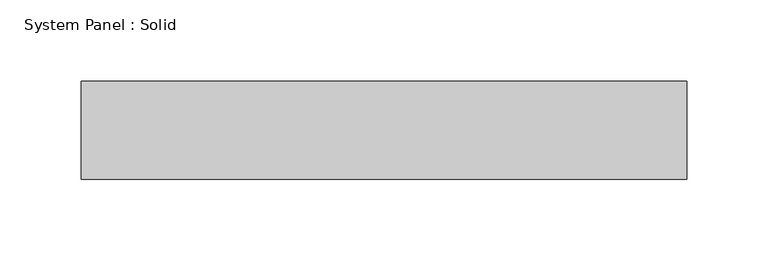
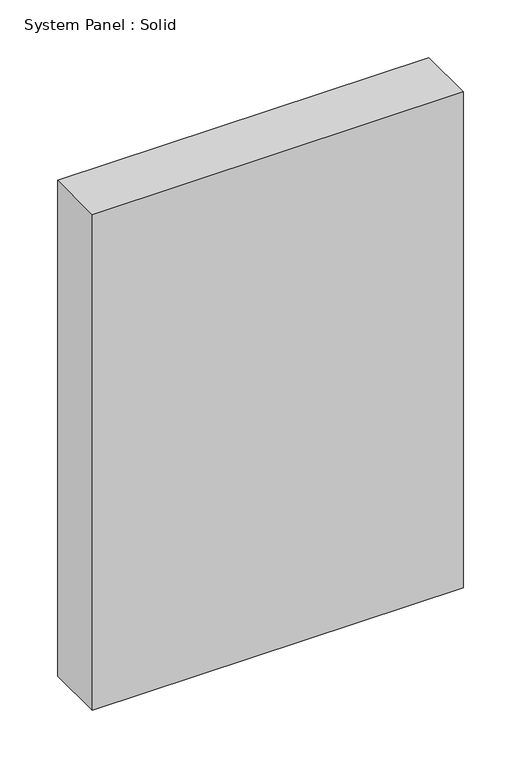
"""IFC4 building model written with IfcOpenShell, lengths in millimetres: plate geometry, System Panel : Solid."""

from ifc_helpers import new_model, si_unit, origin, origin_with_axes, place, context, project, spatial, polyline, outline, extrude, source, transform, mapped, element, save


def system_panel_solid_b38a65f1(model_context):
    return source(origin(), model_context, "Body", "SweptSolid", [
        extrude(outline(polyline([(185.9054087, -49.5), (-185.9054087, -49.5), (-185.9054087, 10.5), (185.9054087, 10.5), (185.9054087, -49.5)])), origin_with_axes(), (0.0, 0.0, 1.0), 525.0),
    ])


if __name__ == "__main__":
    model = new_model("IFC4")
    model_context = context("Model", 3, world=origin())
    ifc_project = project(units=[si_unit("LENGTHUNIT", "METRE", prefix="MILLI")], contexts=[model_context])
    site = spatial("IfcSite", under=ifc_project)
    building = spatial("IfcBuilding", under=site)
    placement = place(None, origin())
    system_panel_solid_shape = system_panel_solid_b38a65f1(model_context)
    element("IfcPlate", 1, ObjectType="System Panel : Solid", at=placement, inside=building, context=model_context, shape_type="MappedRepresentation", body=[
        mapped(system_panel_solid_shape, transform((0.0, 0.0, 0.0), x_axis=(1.0, 0.0, 0.0), y_axis=(0.0, 1.0, 0.0), z_axis=(0.0, 0.0, 1.0))),
    ])
    save(model, "model.ifc")
